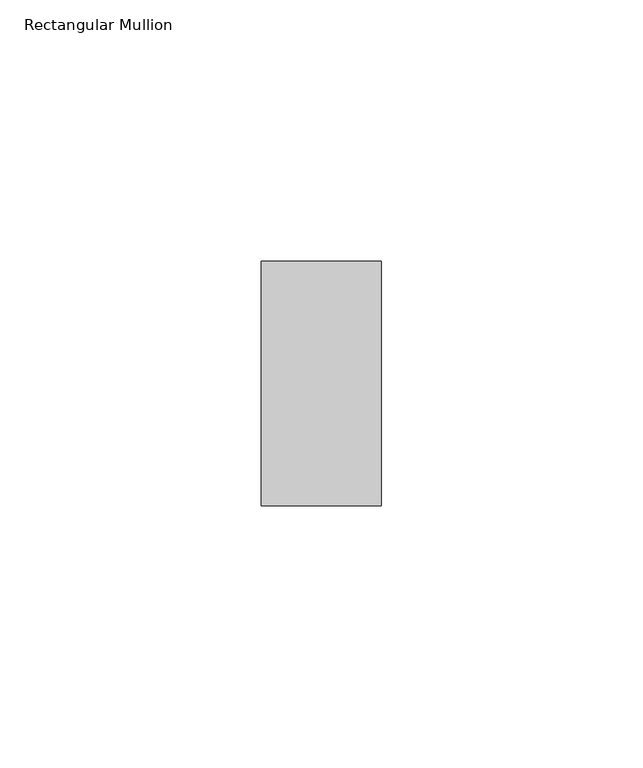
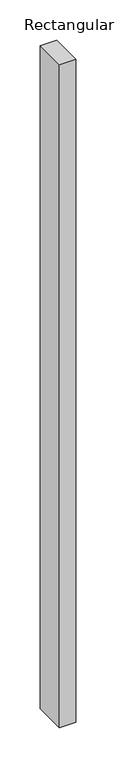
"""IFC4 building model written with IfcOpenShell, lengths in millimetres: member geometry, Rectangular Mullion."""

from ifc_helpers import new_model, si_unit, frame, origin, place, context, project, spatial, polyline, outline, extrude, source, transform, mapped, element, save


def rectangular_mullion_53635d61(model_context):
    return source(origin(), model_context, "Body", "SweptSolid", [
        extrude(outline(polyline([(0.0, -23.4), (-23.0, -23.4), (-23.0, 23.4), (0.0, 23.4), (0.0, -23.4)])), frame((0.0, 0.0, -1000.0), z_axis=(0.0, 0.0, 1.0), x_axis=(1.0, 0.0, 0.0)), (0.0, 0.0, 1.0), 1000.0),
    ])


if __name__ == "__main__":
    model = new_model("IFC4")
    model_context = context("Model", 3, world=origin())
    ifc_project = project(units=[si_unit("LENGTHUNIT", "METRE", prefix="MILLI")], contexts=[model_context])
    site = spatial("IfcSite", under=ifc_project)
    building = spatial("IfcBuilding", under=site)
    placement = place(None, origin())
    rectangular_mullion_shape = rectangular_mullion_53635d61(model_context)
    element("IfcMember", 1, ObjectType="Rectangular Mullion", at=placement, inside=building, context=model_context, shape_type="MappedRepresentation", body=[
        mapped(rectangular_mullion_shape, transform((0.0, 0.0, 0.0), x_axis=(1.0, 0.0, 0.0), y_axis=(0.0, 1.0, 0.0), z_axis=(0.0, 0.0, 1.0))),
    ])
    save(model, "model.ifc")
